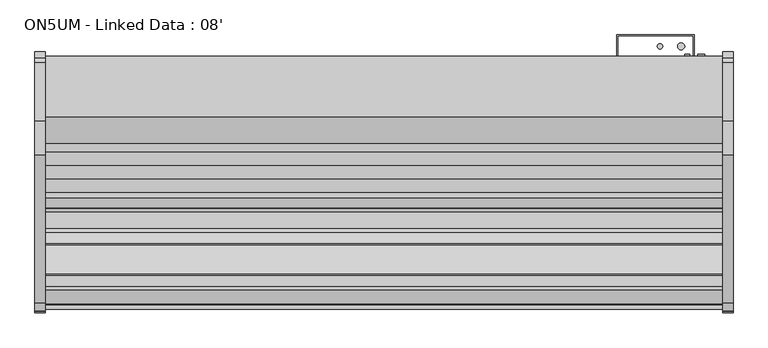
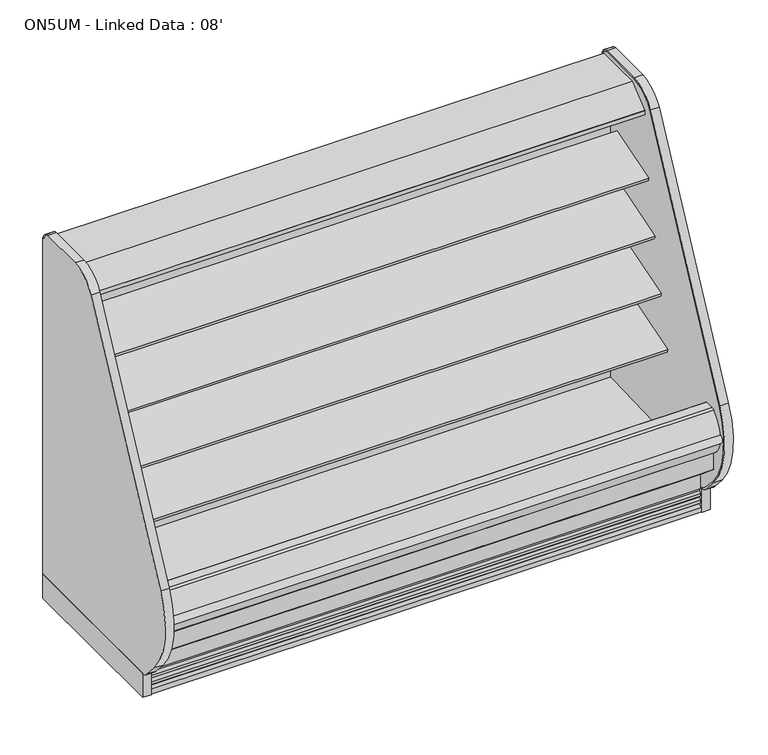
"""IFC4 building model written with IfcOpenShell, lengths in millimetres: proxy geometry, ON5UM - Linked Data : 08'."""

from ifc_helpers import new_model, si_unit, point, frame, frame_2d, origin, origin_with_axes, place, context, project, spatial, polyline, circle_curve, trimmed, segment, composite_curve, outline, extrude, source, transform, mapped, element, save
from ifc_brep_helpers import plane_surface, cylinder_surface, revolved_surface, advanced_brep


def on5um_linked_data_08_1feb24b4(model_context):
    return source(origin(), model_context, "Body", "SolidModel", [
        extrude(outline(composite_curve([segment(polyline([(-386.2893812, 1680.5112406), (-386.2893812, 114.3), (-1152.4160029, 114.3), (-1152.4160029, 109.4814209)]), True, "CONTINUOUS"), segment(trimmed(circle_curve(frame_2d((-1137.0030162, 174.3506772)), 66.6751871), [point((-1152.4160029, 109.4814209))], [point((-1188.0213353, 131.4238594))], False, "CARTESIAN"), True, "CONTINUOUS"), segment(polyline([(-1188.0213353, 131.4238594), (-1241.1522033, 191.7701108)]), True, "CONTINUOUS"), segment(trimmed(circle_curve(frame_2d((-969.519668, 423.7103658)), 357.1841488), [point((-1241.1522033, 191.7701108))], [point((-1289.7288766, 581.9714755))], False, "CARTESIAN"), True, "CONTINUOUS"), segment(trimmed(circle_curve(frame_2d((9141.921087, -3966.5313645)), 11380.1669166), [point((-1289.7288766, 581.9714755))], [point((-757.6298618, 1646.586313))], False, "CARTESIAN"), True, "CONTINUOUS"), segment(trimmed(circle_curve(frame_2d((-626.9237334, 1572.4749838)), 150.2550535), [point((-757.6298618, 1646.586313))], [point((-633.7326134, 1722.5756842))], False, "CARTESIAN"), True, "CONTINUOUS"), segment(polyline([(-633.7326134, 1722.5756842), (-424.7661122, 1722.5756842)]), True, "CONTINUOUS"), segment(trimmed(circle_curve(frame_2d((-424.7661122, 1689.095884)), 33.4798002), [point((-424.7661122, 1722.5756842))], [point((-408.2318186, 1718.2079804))], False, "CARTESIAN"), True, "CONTINUOUS"), segment(trimmed(circle_curve(frame_2d((-429.6417835, 1680.5112406)), 43.3524023), [point((-408.2318186, 1718.2079804))], [point((-386.2893812, 1680.5112406))], False, "CARTESIAN"), True, "CONTINUOUS")], self_intersect=False)), frame((-38.1, 0.0, 0.0), z_axis=(1.0, 0.0, 0.0), x_axis=(0.0, 1.0, 0.0)), (0.0, 0.0, 1.0), 38.1),
        advanced_brep(
        [(-38.1, -1238.2478592, 197.2583924), (-38.1, -1170.0712436, 125.1554313), (-38.1, -1152.4994478, 116.8957338), (-38.1, -1152.4994478, 109.4924604), (-38.1, -1188.0465066, 131.4150415), (-38.1, -1241.1522033, 191.7701108), (-38.1, -1289.7288766, 581.9714755), (-38.1, -757.6298618, 1646.586313), (-38.1, -633.7326134, 1722.5756842), (-38.1, -424.7661122, 1722.5756842), (-38.1, -408.2318186, 1718.2079804), (-38.1, -386.2893812, 1680.5112406), (-38.1, -386.2893812, 114.3), (-38.1, -392.6393812, 114.3), (-38.1, -392.6393812, 1680.5112406), (-38.1, -411.3678219, 1712.6863879), (-38.1, -424.7661122, 1716.2256842), (-38.1, -633.5871081, 1716.2256842), (-38.1, -752.1060282, 1643.454259), (-38.1, -1283.943801, 579.3516742), (0.0, -1238.2478594, 197.2583922), (0.0, -1283.943801, 579.3516742), (0.0, -752.1060287, 1643.4542593), (0.0, -633.5871081, 1716.2256842), (0.0, -424.7661122, 1716.2256842), (0.0, -411.3678219, 1712.6863879), (0.0, -392.6393812, 1680.5112406), (0.0, -392.6393812, 114.3), (0.0, -386.2893812, 114.3), (0.0, -386.2893812, 1680.5112406), (0.0, -408.2318186, 1718.2079804), (0.0, -424.7661122, 1722.5756842), (0.0, -633.7326134, 1722.5756842), (0.0, -757.6298618, 1646.586313), (0.0, -1289.7288766, 581.9714755), (0.0, -1241.1522033, 191.7701108), (0.0, -1188.0465066, 131.4150415), (0.0, -1152.4994478, 109.4924604), (0.0, -1152.4994478, 116.8957338), (0.0, -1170.0712436, 125.1554313)],
        [
            (0, 1, circle_curve(frame((-38.1, -594.5520699, 737.618397), z_axis=(1.0, 0.0, 0.0), x_axis=(0.0, 1.0, 0.0)), 840.4363174)),
            (1, 2, circle_curve(frame((-38.1, -1137.362761, 171.9188236), z_axis=(1.0, 0.0, 0.0), x_axis=(0.0, 1.0, 0.0)), 57.0671508)),
            (2, 3),
            (3, 4, circle_curve(frame((-38.1, -1137.0350365, 174.3484557), z_axis=(-1.0, 0.0, 0.0), x_axis=(0.0, 1.0, 0.0)), 66.674194)),
            (4, 5),
            (5, 6, circle_curve(frame((-38.1, -969.519668, 423.7103658), z_axis=(-1.0, 0.0, 0.0), x_axis=(0.0, 1.0, 0.0)), 357.1841488)),
            (6, 7, circle_curve(frame((-38.1, 9141.921087, -3966.5313645), z_axis=(-1.0, 0.0, 0.0), x_axis=(0.0, 1.0, 0.0)), 11380.1669166)),
            (7, 8, circle_curve(frame((-38.1, -626.9237334, 1572.4749838), z_axis=(-1.0, 0.0, 0.0), x_axis=(0.0, 1.0, 0.0)), 150.2550535)),
            (8, 9),
            (9, 10, circle_curve(frame((-38.1, -424.7661122, 1689.095884), z_axis=(-1.0, 0.0, 0.0), x_axis=(0.0, 1.0, 0.0)), 33.4798002)),
            (10, 11, circle_curve(frame((-38.1, -429.6417835, 1680.5112406), z_axis=(-1.0, 0.0, 0.0), x_axis=(0.0, 1.0, 0.0)), 43.3524023)),
            (11, 12),
            (12, 13),
            (13, 14),
            (14, 15, circle_curve(frame((-38.1, -429.6417835, 1680.5112406), z_axis=(1.0, 0.0, 0.0), x_axis=(0.0, 1.0, 0.0)), 37.0024023)),
            (15, 16, circle_curve(frame((-38.1, -424.7661122, 1689.095884), z_axis=(1.0, 0.0, 0.0), x_axis=(0.0, 1.0, 0.0)), 27.1298002)),
            (16, 17),
            (17, 18, circle_curve(frame((-38.1, -626.9237334, 1572.4749838), z_axis=(1.0, 0.0, 0.0), x_axis=(0.0, 1.0, 0.0)), 143.9050535)),
            (18, 19, circle_curve(frame((-38.1, 9141.921087, -3966.5313645), z_axis=(1.0, 0.0, 0.0), x_axis=(0.0, 1.0, 0.0)), 11373.8169172)),
            (19, 0, circle_curve(frame((-38.1, -969.0620447, 423.2304283), z_axis=(1.0, 0.0, 0.0), x_axis=(0.0, 1.0, 0.0)), 351.4603305)),
            (20, 21, circle_curve(frame((0.0, -969.0620447, 423.2304283), z_axis=(-1.0, 0.0, 0.0), x_axis=(0.0, 1.0, 0.0)), 351.4603305)),
            (21, 22, circle_curve(frame((0.0, 9141.921087, -3966.5313645), z_axis=(-1.0, 0.0, 0.0), x_axis=(0.0, 1.0, 0.0)), 11373.8169172)),
            (22, 23, circle_curve(frame((0.0, -626.9237334, 1572.4749838), z_axis=(-1.0, 0.0, 0.0), x_axis=(0.0, 1.0, 0.0)), 143.9050535)),
            (23, 24),
            (24, 25, circle_curve(frame((0.0, -424.7661122, 1689.095884), z_axis=(-1.0, 0.0, 0.0), x_axis=(0.0, 1.0, 0.0)), 27.1298002)),
            (25, 26, circle_curve(frame((0.0, -429.6417835, 1680.5112406), z_axis=(-1.0, 0.0, 0.0), x_axis=(0.0, 1.0, 0.0)), 37.0024023)),
            (26, 27),
            (27, 28),
            (28, 29),
            (29, 30, circle_curve(frame((0.0, -429.6417835, 1680.5112406), z_axis=(1.0, 0.0, 0.0), x_axis=(0.0, 1.0, 0.0)), 43.3524023)),
            (30, 31, circle_curve(frame((0.0, -424.7661122, 1689.095884), z_axis=(1.0, 0.0, 0.0), x_axis=(0.0, 1.0, 0.0)), 33.4798002)),
            (31, 32),
            (32, 33, circle_curve(frame((0.0, -626.9237334, 1572.4749838), z_axis=(1.0, 0.0, 0.0), x_axis=(0.0, 1.0, 0.0)), 150.2550535)),
            (33, 34, circle_curve(frame((0.0, 9141.921087, -3966.5313645), z_axis=(1.0, 0.0, 0.0), x_axis=(0.0, 1.0, 0.0)), 11380.1669166)),
            (34, 35, circle_curve(frame((0.0, -969.519668, 423.7103658), z_axis=(1.0, 0.0, 0.0), x_axis=(0.0, 1.0, 0.0)), 357.1841488)),
            (35, 36),
            (36, 37, circle_curve(frame((0.0, -1137.0350365, 174.3484557), z_axis=(1.0, 0.0, 0.0), x_axis=(0.0, 1.0, 0.0)), 66.674194)),
            (37, 38),
            (38, 39, circle_curve(frame((0.0, -1137.362761, 171.9188236), z_axis=(-1.0, 0.0, 0.0), x_axis=(0.0, 1.0, 0.0)), 57.0671508)),
            (39, 20, circle_curve(frame((0.0, -594.5520699, 737.618397), z_axis=(-1.0, 0.0, 0.0), x_axis=(0.0, 1.0, 0.0)), 840.4363174)),
            (20, 0),
            (19, 21),
            (18, 22),
            (17, 23),
            (16, 24),
            (25, 15),
            (14, 26),
            (13, 27),
            (12, 28),
            (11, 29),
            (10, 30),
            (31, 9),
            (8, 32),
            (7, 33),
            (6, 34),
            (5, 35),
            (4, 36),
            (3, 37),
            (2, 38),
            (1, 39),
        ],
        [
            plane_surface(frame((-38.1, -617.6017141, 423.2304283), z_axis=(-1.0, 0.0, 0.0), x_axis=(0.0, 0.0, 1.0))),
            plane_surface(frame((0.0, -617.6017141, 423.2304283), z_axis=(1.0, 0.0, 0.0), x_axis=(0.0, 0.0, -1.0))),
            revolved_surface(polyline([(-38.1, -617.6017142000001, 423.2304283), (0.0, -617.6017142000001, 423.2304283)]), (-38.1, -969.0620447, 423.2304283), (-1.0, 0.0, 0.0)),
            revolved_surface(polyline([(-38.1, 20515.7380042, -3966.5313645), (0.0, 20515.7380042, -3966.5313645)]), (-38.1, 9141.921087, -3966.5313645), (-1.0, 0.0, 0.0)),
            revolved_surface(polyline([(-38.1, -483.01867989999994, 1572.4749838), (0.0, -483.01867989999994, 1572.4749838)]), (-38.1, -626.9237334, 1572.4749838), (-1.0, 0.0, 0.0)),
            plane_surface(frame((0.0, -633.5871081, 1716.2256842), z_axis=(0.0, 0.0, -1.0), x_axis=(-1.0, 0.0, 0.0))),
            revolved_surface(polyline([(-38.1, -392.6393812, 1680.5112406), (0.0, -392.6393812, 1680.5112406)]), (-38.1, -429.6417835, 1680.5112406), (-1.0, 0.0, 0.0)),
            plane_surface(frame((0.0, -392.6393812, 1680.5112406), z_axis=(0.0, -1.0, 0.0), x_axis=(-1.0, 0.0, 0.0))),
            plane_surface(frame((0.0, -392.6393812, 114.3), z_axis=(0.0, 0.0, -1.0), x_axis=(-1.0, 0.0, 0.0))),
            plane_surface(frame((0.0, -386.2893812, 114.3), z_axis=(0.0, 1.0, 0.0), x_axis=(-1.0, 0.0, 0.0))),
            cylinder_surface(frame((-38.1, -429.6417835, 1680.5112406), z_axis=(1.0, 0.0, 0.0), x_axis=(0.0, 1.0, 0.0)), 43.3524023),
            plane_surface(frame((0.0, -424.7661122, 1722.5756842), z_axis=(0.0, 0.0, 1.0), x_axis=(-1.0, 0.0, 0.0))),
            cylinder_surface(frame((-38.1, -626.9237334, 1572.4749838), z_axis=(1.0, 0.0, 0.0), x_axis=(0.0, 1.0, 0.0)), 150.2550535),
            cylinder_surface(frame((-38.1, 9141.921087, -3966.5313645), z_axis=(1.0, 0.0, 0.0), x_axis=(0.0, 1.0, 0.0)), 11380.1669166),
            cylinder_surface(frame((-38.1, -969.519668, 423.7103658), z_axis=(1.0, 0.0, 0.0), x_axis=(0.0, 1.0, 0.0)), 357.1841488),
            plane_surface(frame((0.0, -1241.1522033, 191.7701108), z_axis=(0.0, -0.7507552443600822, -0.6605804743298377), x_axis=(-1.0, 0.0, 0.0))),
            cylinder_surface(frame((-38.1, -1137.0350365, 174.3484557), z_axis=(1.0, 0.0, 0.0), x_axis=(0.0, 1.0, 0.0)), 66.674194),
            plane_surface(frame((0.0, -1152.4994478, 109.4924604), z_axis=(0.0, 1.0, 0.0), x_axis=(-1.0, 0.0, 0.0))),
            revolved_surface(polyline([(-38.1, -1080.2956102, 171.9188236), (0.0, -1080.2956102, 171.9188236)]), (-38.1, -1137.362761, 171.9188236), (-1.0, 0.0, 0.0)),
            revolved_surface(polyline([(-38.1, 245.88424750000001, 737.618397), (0.0, 245.88424750000001, 737.618397)]), (-38.1, -594.5520699, 737.618397), (-1.0, 0.0, 0.0)),
            revolved_surface(polyline([(-38.1, -397.63631200000003, 1689.095884), (0.0, -397.63631200000003, 1689.095884)]), (-38.1, -424.7661122, 1689.095884), (-1.0, 0.0, 0.0)),
            cylinder_surface(frame((-38.1, -424.7661122, 1689.095884), z_axis=(1.0, 0.0, 0.0), x_axis=(0.0, 1.0, 0.0)), 33.4798002),
        ],
        [
            (0, [[1, 2, 3, 4, 5, 6, 7, 8, 9, 10, 11, 12, 13, 14, 15, 16, 17, 18, 19, 20]]),
            (1, [[21, 22, 23, 24, 25, 26, 27, 28, 29, 30, 31, 32, 33, 34, 35, 36, 37, 38, 39, 40]]),
            (2, [[-21, 41, -20, 42]]),
            (3, [[-22, -42, -19, 43]]),
            (4, [[-23, -43, -18, 44]]),
            (5, [[-24, -44, -17, 45]]),
            (6, [[-26, 46, -15, 47]]),
            (7, [[-27, -47, -14, 48]]),
            (8, [[-28, -48, -13, 49]]),
            (9, [[-29, -49, -12, 50]]),
            (10, [[-30, -50, -11, 51]]),
            (11, [[-32, 52, -9, 53]]),
            (12, [[-33, -53, -8, 54]]),
            (13, [[-34, -54, -7, 55]]),
            (14, [[-35, -55, -6, 56]]),
            (15, [[-36, -56, -5, 57]]),
            (16, [[-37, -57, -4, 58]]),
            (17, [[-38, -58, -3, 59]]),
            (18, [[-39, -59, -2, 60]]),
            (19, [[-40, -60, -1, -41]]),
            (20, [[-25, -45, -16, -46]]),
            (21, [[-31, -51, -10, -52]]),
        ],
    ),
        advanced_brep(
        [(2438.4, -392.6393812, 114.3), (2438.4, -392.6393812, 1680.5112406), (2438.4, -411.3678219, 1712.6863879), (2438.4, -424.7661122, 1716.2256842), (2438.4, -633.5871081, 1716.2256842), (2438.4, -752.1060282, 1643.454259), (2438.4, -1283.943801, 579.3516742), (2438.4, -1238.2478594, 197.2583922), (2438.4, -1170.0712436, 125.1554313), (2438.4, -1152.4994478, 116.8957338), (2438.4, -1152.4994478, 109.4924604), (2438.4, -1188.0465066, 131.4150415), (2438.4, -1241.1522033, 191.7701108), (2438.4, -1289.7288766, 581.9714755), (2438.4, -757.6298618, 1646.586313), (2438.4, -633.7326134, 1722.5756842), (2438.4, -424.7661122, 1722.5756842), (2438.4, -408.2318186, 1718.2079804), (2438.4, -386.2893812, 1680.5112406), (2438.4, -386.2893812, 114.3), (2476.5, -392.6393812, 114.3), (2476.5, -386.2893812, 114.3), (2476.5, -386.2893812, 1680.5112406), (2476.5, -408.2318186, 1718.2079804), (2476.5, -424.7661122, 1722.5756842), (2476.5, -633.7326134, 1722.5756842), (2476.5, -757.6298618, 1646.586313), (2476.5, -1289.7288766, 581.9714755), (2476.5, -1241.1522033, 191.7701108), (2476.5, -1188.0465066, 131.4150415), (2476.5, -1152.4994478, 109.4924604), (2476.5, -1152.4994478, 116.8957338), (2476.5, -1170.0712436, 125.1554313), (2476.5, -1238.2478592, 197.2583924), (2476.5, -1283.943801, 579.3516742), (2476.5, -752.1060287, 1643.4542593), (2476.5, -633.5871081, 1716.2256842), (2476.5, -424.7661122, 1716.2256842), (2476.5, -411.3678219, 1712.6863879), (2476.5, -392.6393812, 1680.5112406)],
        [
            (0, 1),
            (1, 2, circle_curve(frame((2438.4, -429.6417835, 1680.5112406), z_axis=(1.0, 0.0, 0.0), x_axis=(0.0, 1.0, 0.0)), 37.0024023)),
            (2, 3, circle_curve(frame((2438.4, -424.7661122, 1689.095884), z_axis=(1.0, 0.0, 0.0), x_axis=(0.0, 1.0, 0.0)), 27.1298002)),
            (3, 4),
            (4, 5, circle_curve(frame((2438.4, -626.9237334, 1572.4749838), z_axis=(1.0, 0.0, 0.0), x_axis=(0.0, 1.0, 0.0)), 143.9050535)),
            (5, 6, circle_curve(frame((2438.4, 9141.921087, -3966.5313645), z_axis=(1.0, 0.0, 0.0), x_axis=(0.0, 1.0, 0.0)), 11373.8169172)),
            (6, 7, circle_curve(frame((2438.4, -969.0620447, 423.2304283), z_axis=(1.0, 0.0, 0.0), x_axis=(0.0, 1.0, 0.0)), 351.4603305)),
            (7, 8, circle_curve(frame((2438.4, -594.5520699, 737.618397), z_axis=(1.0, 0.0, 0.0), x_axis=(0.0, 1.0, 0.0)), 840.4363174)),
            (8, 9, circle_curve(frame((2438.4, -1137.362761, 171.9188236), z_axis=(1.0, 0.0, 0.0), x_axis=(0.0, 1.0, 0.0)), 57.0671508)),
            (9, 10),
            (10, 11, circle_curve(frame((2438.4, -1137.0350365, 174.3484557), z_axis=(-1.0, 0.0, 0.0), x_axis=(0.0, 1.0, 0.0)), 66.674194)),
            (11, 12),
            (12, 13, circle_curve(frame((2438.4, -969.519668, 423.7103658), z_axis=(-1.0, 0.0, 0.0), x_axis=(0.0, 1.0, 0.0)), 357.1841488)),
            (13, 14, circle_curve(frame((2438.4, 9141.921087, -3966.5313645), z_axis=(-1.0, 0.0, 0.0), x_axis=(0.0, 1.0, 0.0)), 11380.1669166)),
            (14, 15, circle_curve(frame((2438.4, -626.9237334, 1572.4749838), z_axis=(-1.0, 0.0, 0.0), x_axis=(0.0, 1.0, 0.0)), 150.2550535)),
            (15, 16),
            (16, 17, circle_curve(frame((2438.4, -424.7661122, 1689.095884), z_axis=(-1.0, 0.0, 0.0), x_axis=(0.0, 1.0, 0.0)), 33.4798002)),
            (17, 18, circle_curve(frame((2438.4, -429.6417835, 1680.5112406), z_axis=(-1.0, 0.0, 0.0), x_axis=(0.0, 1.0, 0.0)), 43.3524023)),
            (18, 19),
            (19, 0),
            (20, 21),
            (21, 22),
            (22, 23, circle_curve(frame((2476.5, -429.6417835, 1680.5112406), z_axis=(1.0, 0.0, 0.0), x_axis=(0.0, 1.0, 0.0)), 43.3524023)),
            (23, 24, circle_curve(frame((2476.5, -424.7661122, 1689.095884), z_axis=(1.0, 0.0, 0.0), x_axis=(0.0, 1.0, 0.0)), 33.4798002)),
            (24, 25),
            (25, 26, circle_curve(frame((2476.5, -626.9237334, 1572.4749838), z_axis=(1.0, 0.0, 0.0), x_axis=(0.0, 1.0, 0.0)), 150.2550535)),
            (26, 27, circle_curve(frame((2476.5, 9141.921087, -3966.5313645), z_axis=(1.0, 0.0, 0.0), x_axis=(0.0, 1.0, 0.0)), 11380.1669166)),
            (27, 28, circle_curve(frame((2476.5, -969.519668, 423.7103658), z_axis=(1.0, 0.0, 0.0), x_axis=(0.0, 1.0, 0.0)), 357.1841488)),
            (28, 29),
            (29, 30, circle_curve(frame((2476.5, -1137.0350365, 174.3484557), z_axis=(1.0, 0.0, 0.0), x_axis=(0.0, 1.0, 0.0)), 66.674194)),
            (30, 31),
            (31, 32, circle_curve(frame((2476.5, -1137.362761, 171.9188236), z_axis=(-1.0, 0.0, 0.0), x_axis=(0.0, 1.0, 0.0)), 57.0671508)),
            (32, 33, circle_curve(frame((2476.5, -594.5520699, 737.618397), z_axis=(-1.0, 0.0, 0.0), x_axis=(0.0, 1.0, 0.0)), 840.4363174)),
            (33, 34, circle_curve(frame((2476.5, -969.0620447, 423.2304283), z_axis=(-1.0, 0.0, 0.0), x_axis=(0.0, 1.0, 0.0)), 351.4603305)),
            (34, 35, circle_curve(frame((2476.5, 9141.921087, -3966.5313645), z_axis=(-1.0, 0.0, 0.0), x_axis=(0.0, 1.0, 0.0)), 11373.8169172)),
            (35, 36, circle_curve(frame((2476.5, -626.9237334, 1572.4749838), z_axis=(-1.0, 0.0, 0.0), x_axis=(0.0, 1.0, 0.0)), 143.9050535)),
            (36, 37),
            (37, 38, circle_curve(frame((2476.5, -424.7661122, 1689.095884), z_axis=(-1.0, 0.0, 0.0), x_axis=(0.0, 1.0, 0.0)), 27.1298002)),
            (38, 39, circle_curve(frame((2476.5, -429.6417835, 1680.5112406), z_axis=(-1.0, 0.0, 0.0), x_axis=(0.0, 1.0, 0.0)), 37.0024023)),
            (39, 20),
            (20, 0),
            (19, 21),
            (18, 22),
            (24, 16),
            (15, 25),
            (14, 26),
            (13, 27),
            (12, 28),
            (11, 29),
            (10, 30),
            (9, 31),
            (8, 32),
            (7, 33),
            (6, 34),
            (5, 35),
            (4, 36),
            (3, 37),
            (39, 1),
            (17, 23),
            (2, 38),
        ],
        [
            plane_surface(frame((2438.4, -417.3839273, 114.3), z_axis=(-1.0, 0.0, 0.0), x_axis=(0.0, -1.0, 0.0))),
            plane_surface(frame((2476.5, -417.3839273, 114.3), z_axis=(1.0, 0.0, 0.0), x_axis=(0.0, 1.0, 0.0))),
            plane_surface(frame((2476.5, -392.6393812, 114.3), z_axis=(0.0, 0.0, -1.0), x_axis=(-1.0, 0.0, 0.0))),
            plane_surface(frame((2476.5, -386.2893812, 114.3), z_axis=(0.0, 1.0, 0.0), x_axis=(-1.0, 0.0, 0.0))),
            plane_surface(frame((2476.5, -424.7661122, 1722.5756842), z_axis=(0.0, 0.0, 1.0), x_axis=(-1.0, 0.0, 0.0))),
            cylinder_surface(frame((2438.4, -626.9237334, 1572.4749838), z_axis=(1.0, 0.0, 0.0), x_axis=(0.0, 1.0, 0.0)), 150.2550535),
            cylinder_surface(frame((2438.4, 9141.921087, -3966.5313645), z_axis=(1.0, 0.0, 0.0), x_axis=(0.0, 1.0, 0.0)), 11380.1669166),
            cylinder_surface(frame((2438.4, -969.519668, 423.7103658), z_axis=(1.0, 0.0, 0.0), x_axis=(0.0, 1.0, 0.0)), 357.1841488),
            plane_surface(frame((2476.5, -1241.1522033, 191.7701108), z_axis=(0.0, -0.750755244360021, -0.6605804743299073), x_axis=(-1.0, 0.0, 0.0))),
            cylinder_surface(frame((2438.4, -1137.0350365, 174.3484557), z_axis=(1.0, 0.0, 0.0), x_axis=(0.0, 1.0, 0.0)), 66.674194),
            plane_surface(frame((2476.5, -1152.4994478, 109.4924604), z_axis=(0.0, 1.0, 0.0), x_axis=(-1.0, 0.0, 0.0))),
            revolved_surface(polyline([(2438.4, -1080.2956102, 171.9188236), (2476.5, -1080.2956102, 171.9188236)]), (2438.4, -1137.362761, 171.9188236), (-1.0, 0.0, 0.0)),
            revolved_surface(polyline([(2438.4, 245.88424750000001, 737.618397), (2476.5, 245.88424750000001, 737.618397)]), (2438.4, -594.5520699, 737.618397), (-1.0, 0.0, 0.0)),
            revolved_surface(polyline([(2438.4, -617.6017142000001, 423.2304283), (2476.5, -617.6017142000001, 423.2304283)]), (2438.4, -969.0620447, 423.2304283), (-1.0, 0.0, 0.0)),
            revolved_surface(polyline([(2438.4, 20515.7380042, -3966.5313645), (2476.5, 20515.7380042, -3966.5313645)]), (2438.4, 9141.921087, -3966.5313645), (-1.0, 0.0, 0.0)),
            revolved_surface(polyline([(2438.4, -483.01867989999994, 1572.4749838), (2476.5, -483.01867989999994, 1572.4749838)]), (2438.4, -626.9237334, 1572.4749838), (-1.0, 0.0, 0.0)),
            plane_surface(frame((2476.5, -633.5871081, 1716.2256842), z_axis=(0.0, 0.0, -1.0), x_axis=(-1.0, 0.0, 0.0))),
            plane_surface(frame((2476.5, -392.6393812, 1680.5112406), z_axis=(0.0, -1.0, 0.0), x_axis=(-1.0, 0.0, 0.0))),
            cylinder_surface(frame((2438.4, -429.6417835, 1680.5112406), z_axis=(1.0, 0.0, 0.0), x_axis=(0.0, 1.0, 0.0)), 43.3524023),
            cylinder_surface(frame((2438.4, -424.7661122, 1689.095884), z_axis=(1.0, 0.0, 0.0), x_axis=(0.0, 1.0, 0.0)), 33.4798002),
            revolved_surface(polyline([(2438.4, -397.63631200000003, 1689.095884), (2476.5, -397.63631200000003, 1689.095884)]), (2438.4, -424.7661122, 1689.095884), (-1.0, 0.0, 0.0)),
            revolved_surface(polyline([(2438.4, -392.6393812, 1680.5112406), (2476.5, -392.6393812, 1680.5112406)]), (2438.4, -429.6417835, 1680.5112406), (-1.0, 0.0, 0.0)),
        ],
        [
            (0, [[1, 2, 3, 4, 5, 6, 7, 8, 9, 10, 11, 12, 13, 14, 15, 16, 17, 18, 19, 20]]),
            (1, [[21, 22, 23, 24, 25, 26, 27, 28, 29, 30, 31, 32, 33, 34, 35, 36, 37, 38, 39, 40]]),
            (2, [[-21, 41, -20, 42]]),
            (3, [[-22, -42, -19, 43]]),
            (4, [[-25, 44, -16, 45]]),
            (5, [[-26, -45, -15, 46]]),
            (6, [[-27, -46, -14, 47]]),
            (7, [[-28, -47, -13, 48]]),
            (8, [[-29, -48, -12, 49]]),
            (9, [[-30, -49, -11, 50]]),
            (10, [[-31, -50, -10, 51]]),
            (11, [[-32, -51, -9, 52]]),
            (12, [[-33, -52, -8, 53]]),
            (13, [[-34, -53, -7, 54]]),
            (14, [[-35, -54, -6, 55]]),
            (15, [[-36, -55, -5, 56]]),
            (16, [[-37, -56, -4, 57]]),
            (17, [[-40, 58, -1, -41]]),
            (18, [[-23, -43, -18, 59]]),
            (19, [[-24, -59, -17, -44]]),
            (20, [[-38, -57, -3, 60]]),
            (21, [[-39, -60, -2, -58]]),
        ],
    ),
        extrude(outline(composite_curve([segment(polyline([(-1152.4160029, 114.3), (-1152.4160029, 109.4814209)]), True, "CONTINUOUS"), segment(trimmed(circle_curve(frame_2d((-1137.0030162, 174.3506772)), 66.6751871), [point((-1152.4160029, 109.4814209))], [point((-1188.0213353, 131.4238594))], False, "CARTESIAN"), True, "CONTINUOUS"), segment(polyline([(-1188.0213353, 131.4238594), (-1241.1522033, 191.7701108)]), True, "CONTINUOUS"), segment(trimmed(circle_curve(frame_2d((-969.519668, 423.7103658)), 357.1841488), [point((-1241.1522033, 191.7701108))], [point((-1289.7288766, 581.9714755))], False, "CARTESIAN"), True, "CONTINUOUS"), segment(trimmed(circle_curve(frame_2d((9141.921087, -3966.5313645)), 11380.1669166), [point((-1289.7288766, 581.9714755))], [point((-757.6298618, 1646.586313))], False, "CARTESIAN"), True, "CONTINUOUS"), segment(trimmed(circle_curve(frame_2d((-626.9237334, 1572.4749838)), 150.2550535), [point((-757.6298618, 1646.586313))], [point((-633.7326134, 1722.5756842))], False, "CARTESIAN"), True, "CONTINUOUS"), segment(polyline([(-633.7326134, 1722.5756842), (-424.7661122, 1722.5756842)]), True, "CONTINUOUS"), segment(trimmed(circle_curve(frame_2d((-424.7661122, 1689.095884)), 33.4798002), [point((-424.7661122, 1722.5756842))], [point((-408.2318186, 1718.2079804))], False, "CARTESIAN"), True, "CONTINUOUS"), segment(trimmed(circle_curve(frame_2d((-429.6417835, 1680.5112406)), 43.3524023), [point((-408.2318186, 1718.2079804))], [point((-386.2893812, 1680.5112406))], False, "CARTESIAN"), True, "CONTINUOUS"), segment(polyline([(-386.2893812, 1680.5112406), (-386.2893812, 114.3), (-1152.4160029, 114.3)]), True, "CONTINUOUS")], self_intersect=False)), frame((2438.4, 0.0, 0.0), z_axis=(1.0, 0.0, 0.0), x_axis=(0.0, 1.0, 0.0)), (0.0, 0.0, 1.0), 38.1),
        extrude(outline(polyline([(2476.5, -385.6339273), (2476.5, -1152.4160029), (2438.4, -1152.4160029), (2438.4, -385.6339273), (2476.5, -385.6339273)])), origin_with_axes(), (0.0, 0.0, 1.0), 114.3),
        extrude(outline(composite_curve([segment(polyline([(-514.5457224, 1615.7605838), (-504.8382084, 1618.7588787), (-504.5715038, 1617.8953752), (-503.5043326, 1617.8953752), (-503.5043326, 1524.1310435), (-528.7995468, 1520.5782473)]), True, "CONTINUOUS"), segment(trimmed(circle_curve(frame_2d((-528.9394297, 1522.1519225)), 1.57988), [point((-528.7995468, 1520.5782473))], [point((-530.5039344, 1521.9320457))], False, "CARTESIAN"), True, "CONTINUOUS"), segment(polyline([(-530.5039344, 1521.9320457), (-531.3887441, 1528.2277938), (-530.6039765, 1528.3380857), (-529.6095819, 1521.2626005), (-506.0288235, 1524.57666), (-520.1248622, 1624.875187), (-542.8854436, 1621.8528314)]), True, "CONTINUOUS"), segment(trimmed(circle_curve(frame_2d((-542.7817953, 1621.072283)), 0.7874), [point((-542.8854436, 1621.8528314))], [point((-543.5623437, 1620.9686347))], True, "CARTESIAN"), True, "CONTINUOUS"), segment(polyline([(-543.5623437, 1620.9686347), (-542.5392347, 1613.2638646), (-543.3197834, 1613.1602184), (-544.3428921, 1620.8649865)]), True, "CONTINUOUS"), segment(trimmed(circle_curve(frame_2d((-542.7817953, 1621.072283)), 1.5748), [point((-544.3428921, 1620.8649865))], [point((-542.9890919, 1622.6333798))], False, "CARTESIAN"), True, "CONTINUOUS"), segment(polyline([(-542.9890919, 1622.6333798), (-519.0246807, 1625.8155909)]), True, "CONTINUOUS"), segment(trimmed(circle_curve(frame_2d((-518.8173842, 1624.2544941)), 1.5748), [point((-519.0246807, 1625.8155909))], [point((-517.3127195, 1624.7192298))], False, "CARTESIAN"), True, "CONTINUOUS"), segment(polyline([(-517.3127195, 1624.7192298), (-514.5457224, 1615.7605838)]), True, "CONTINUOUS")], self_intersect=False)), frame((0.0, 0.0, 0.0), z_axis=(1.0, 0.0, 0.0), x_axis=(0.0, 1.0, 0.0)), (0.0, 0.0, 1.0), 2438.4),
        extrude(outline(polyline([(-401.5362454, 1697.0375), (-401.5362454, 1650.6095648), (-452.3362454, 1650.6095648), (-452.3362454, 1617.8953752), (-504.5715038, 1617.8953752), (-506.6507529, 1624.6273143), (-511.4451991, 1623.1464857), (-535.5152392, 1651.8320425), (-642.283557, 1651.8320425), (-643.121757, 1650.9938425), (-643.121757, 1639.8686425), (-643.6798466, 1638.6898324), (-688.3176895, 1602.1138324), (-689.2835999, 1601.7686425), (-700.780223, 1601.7686425), (-700.780223, 1599.8368669), (-715.8942413, 1599.8368669), (-715.8942413, 1618.1058169), (-715.3010798, 1619.3494059), (-619.3642733, 1697.0375), (-401.5362454, 1697.0375)])), frame((0.0, 0.0, 0.0), z_axis=(1.0, 0.0, 0.0), x_axis=(0.0, 1.0, 0.0)), (0.0, 0.0, 1.0), 2438.4),
        extrude(outline(composite_curve([segment(polyline([(-506.0288235, 1524.57666), (-529.6095819, 1521.2626005), (-530.6039765, 1528.3380857), (-542.5344107, 1613.2275359), (-543.5623437, 1620.9686347)]), True, "CONTINUOUS"), segment(trimmed(circle_curve(frame_2d((-542.7817953, 1621.072283)), 0.7874), [point((-543.5623437, 1620.9686347))], [point((-542.8854436, 1621.8528314))], False, "CARTESIAN"), True, "CONTINUOUS"), segment(polyline([(-542.8854436, 1621.8528314), (-520.1248622, 1624.875187), (-506.0288235, 1524.57666)]), True, "CONTINUOUS")], self_intersect=False)), frame((0.0, 0.0, 0.0), z_axis=(1.0, 0.0, 0.0), x_axis=(0.0, 1.0, 0.0)), (0.0, 0.0, 1.0), 2438.4),
        extrude(outline(composite_curve([segment(trimmed(circle_curve(frame_2d((-586.8588534, 1611.5018376)), 14.2875), [point((-601.1463534, 1611.5018376))], [point((-572.5713534, 1611.5018376))], False, "CARTESIAN"), True, "CONTINUOUS"), segment(trimmed(circle_curve(frame_2d((-586.8588534, 1611.5018376)), 14.2875), [point((-572.5713534, 1611.5018376))], [point((-601.1463534, 1611.5018376))], False, "CARTESIAN"), True, "CONTINUOUS")], self_intersect=False)), frame((0.0, 0.0, 0.0), z_axis=(1.0, 0.0, 0.0), x_axis=(0.0, 1.0, 0.0)), (0.0, 0.0, 1.0), 2438.4),
        extrude(outline(composite_curve([segment(trimmed(circle_curve(frame_2d((-624.2476534, 1611.5018376)), 14.2875), [point((-638.5351534, 1611.5018376))], [point((-609.9601534, 1611.5018376))], False, "CARTESIAN"), True, "CONTINUOUS"), segment(trimmed(circle_curve(frame_2d((-624.2476534, 1611.5018376)), 14.2875), [point((-609.9601534, 1611.5018376))], [point((-638.5351534, 1611.5018376))], False, "CARTESIAN"), True, "CONTINUOUS")], self_intersect=False)), frame((0.0, 0.0, 0.0), z_axis=(1.0, 0.0, 0.0), x_axis=(0.0, 1.0, 0.0)), (0.0, 0.0, 1.0), 2438.4),
        extrude(outline(composite_curve([segment(polyline([(-503.4770145, 863.3098138), (-520.8520366, 857.6729901)]), True, "CONTINUOUS"), segment(trimmed(circle_curve(frame_2d((-528.6901714, 881.8333635)), 25.4), [point((-520.8520366, 857.6729901))], [point((-538.1963728, 858.2793376))], False, "CARTESIAN"), True, "CONTINUOUS"), segment(polyline([(-538.1963728, 858.2793376), (-559.4917706, 866.8739762)]), True, "CONTINUOUS"), segment(trimmed(circle_curve(frame_2d((-583.257274, 807.9889114)), 63.5), [point((-559.4917706, 866.8739762))], [point((-594.1259367, 870.5518571))], True, "CARTESIAN"), True, "CONTINUOUS"), segment(polyline([(-594.1259367, 870.5518571), (-731.8940366, 853.2118233), (-734.3236807, 856.0667635), (-839.3802906, 823.9477346), (-843.5389858, 837.5502134), (-503.4770145, 941.5175916), (-503.4770145, 863.3098138)]), True, "CONTINUOUS")], self_intersect=False)), frame((0.0, 0.0, 0.0), z_axis=(1.0, 0.0, 0.0), x_axis=(0.0, 1.0, 0.0)), (0.0, 0.0, 1.0), 2438.4),
        extrude(outline(polyline([(2476.5, -385.6339273), (2476.5, -1152.4160029), (2438.4, -1152.4160029), (2438.4, -385.6339273), (2476.5, -385.6339273)])), origin_with_axes(), (0.0, 0.0, 1.0), 114.3),
        extrude(outline(composite_curve([segment(polyline([(-503.4770145, 1088.9683713), (-520.8520366, 1083.3315476)]), True, "CONTINUOUS"), segment(trimmed(circle_curve(frame_2d((-528.6901714, 1107.491921)), 25.4), [point((-520.8520366, 1083.3315476))], [point((-538.1963728, 1083.9378951))], False, "CARTESIAN"), True, "CONTINUOUS"), segment(polyline([(-538.1963728, 1083.9378951), (-559.4917706, 1092.5325337)]), True, "CONTINUOUS"), segment(trimmed(circle_curve(frame_2d((-583.257274, 1033.6474689)), 63.5), [point((-559.4917706, 1092.5325337))], [point((-594.1259367, 1096.2104146))], True, "CARTESIAN"), True, "CONTINUOUS"), segment(polyline([(-594.1259367, 1096.2104146), (-731.8940366, 1078.8703808), (-734.3236807, 1081.725321), (-790.800009, 1064.4587746), (-794.9587042, 1078.0612535), (-503.4770145, 1167.1761491), (-503.4770145, 1088.9683713)]), True, "CONTINUOUS")], self_intersect=False)), frame((0.0, 0.0, 0.0), z_axis=(1.0, 0.0, 0.0), x_axis=(0.0, 1.0, 0.0)), (0.0, 0.0, 1.0), 2438.4),
        extrude(outline(composite_curve([segment(trimmed(circle_curve(frame_2d((-1295.2968597, 431.6758132)), 17.3404466), [point((-1294.9549897, 414.338737))], [point((-1294.7322045, 449.007064))], False, "CARTESIAN"), True, "CONTINUOUS"), segment(trimmed(circle_curve(frame_2d((-1122.863718, 403.4621932)), 177.8007646), [point((-1294.7322045, 449.007064))], [point((-1296.5810234, 441.3489948))], True, "CARTESIAN"), True, "CONTINUOUS"), segment(trimmed(circle_curve(frame_2d((-1169.7227431, 435.4318662)), 126.9962034), [point((-1296.5810234, 441.3489948))], [point((-1294.9549897, 414.338737))], True, "CARTESIAN"), True, "CONTINUOUS")], self_intersect=False)), frame((0.0, 0.0, 0.0), z_axis=(1.0, 0.0, 0.0), x_axis=(0.0, 1.0, 0.0)), (0.0, 0.0, 1.0), 2438.4),
        extrude(outline(composite_curve([segment(trimmed(circle_curve(frame_2d((2278.6362287, -1007.9339273)), 12.7), [point((2265.9362287, -1007.9339273))], [point((2291.3362287, -1007.9339273))], False, "CARTESIAN"), True, "CONTINUOUS"), segment(trimmed(circle_curve(frame_2d((2278.6362287, -1007.9339273)), 12.7), [point((2291.3362287, -1007.9339273))], [point((2265.9362287, -1007.9339273))], False, "CARTESIAN"), True, "CONTINUOUS")], self_intersect=False)), frame((0.0, 0.0, 68.5310382), z_axis=(0.0, 0.0, 1.0), x_axis=(1.0, 0.0, 0.0)), (0.0, 0.0, 1.0), 52.7807458),
        extrude(outline(composite_curve([segment(trimmed(circle_curve(frame_2d((2228.43831, -1007.9339273)), 9.525), [point((2218.91331, -1007.9339273))], [point((2237.96331, -1007.9339273))], False, "CARTESIAN"), True, "CONTINUOUS"), segment(trimmed(circle_curve(frame_2d((2228.43831, -1007.9339273)), 9.525), [point((2237.96331, -1007.9339273))], [point((2218.91331, -1007.9339273))], False, "CARTESIAN"), True, "CONTINUOUS")], self_intersect=False)), frame((0.0, 0.0, 68.5310382), z_axis=(0.0, 0.0, 1.0), x_axis=(1.0, 0.0, 0.0)), (0.0, 0.0, 1.0), 52.7807458),
        extrude(outline(polyline([(0.0, -386.2893812), (0.0, -1152.4160029), (-38.1, -1152.4160029), (-38.1, -386.2893812), (0.0, -386.2893812)])), origin_with_axes(), (0.0, 0.0, 1.0), 114.3),
        extrude(outline(polyline([(2333.625, -401.5089273), (2333.625, -328.4839273), (2060.575, -328.4839273), (2060.575, -401.5089273), (2057.4, -401.5089273), (2057.4, -325.3089273), (2336.8, -325.3089273), (2336.8, -401.5089273), (2333.625, -401.5089273)])), frame((0.0, 0.0, 522.6122796), z_axis=(0.0, 0.0, 1.0), x_axis=(1.0, 0.0, 0.0)), (0.0, 0.0, 1.0), 1034.456007),
        advanced_brep(
        [(0.0, -401.5089273, 1650.6095648), (0.0, -401.5089273, 130.175), (0.0, -1092.9329421, 130.175), (0.0, -1242.6779256, 255.8259604), (0.0, -1242.6779256, 390.4771975), (0.0, -1191.6695874, 390.4771975), (0.0, -1191.6695874, 280.6965658), (0.0, -1081.6882807, 188.4112919), (0.0, -1075.5167374, 188.6268069), (0.0, -1036.8125365, 160.6272219), (0.0, -1035.5745571, 160.670453), (0.0, -1022.2030531, 151.6562137), (0.0, -961.9148015, 153.7615258), (0.0, -949.2046713, 163.6865559), (0.0, -947.966692, 163.7297871), (0.0, -911.2586215, 194.4039054), (0.0, -452.3089273, 210.4307819), (0.0, -452.3089273, 1650.6095648), (2438.4, -401.5089273, 1650.6095648), (2438.4, -452.3089273, 1650.6095648), (2438.4, -452.3089273, 210.4307819), (2438.4, -911.2586215, 194.4039054), (2438.4, -947.966692, 163.7297871), (2438.4, -949.2046713, 163.6865559), (2438.4, -961.9148015, 153.7615258), (2438.4, -1022.2030531, 151.6562137), (2438.4, -1035.5745571, 160.670453), (2438.4, -1036.8125365, 160.6272219), (2438.4, -1075.5167374, 188.6268069), (2438.4, -1081.6882807, 188.4112919), (2438.4, -1191.6695874, 280.6965658), (2438.4, -1191.6695874, 390.4771975), (2438.4, -1242.6779256, 390.4771975), (2438.4, -1242.6779256, 255.8259604), (2438.4, -1092.9329421, 130.175), (2438.4, -401.5089273, 130.175), (2336.8, -401.5089273, 368.3), (2336.8, -401.5089273, 266.7), (2336.8, -446.7209273, 266.7), (2336.8, -446.7209273, 368.3)],
        [
            (0, 1),
            (1, 2),
            (2, 3),
            (3, 4),
            (4, 5),
            (5, 6),
            (6, 7),
            (7, 8),
            (8, 9),
            (9, 10),
            (10, 11),
            (11, 12),
            (12, 13),
            (13, 14),
            (14, 15),
            (15, 16),
            (16, 17),
            (17, 0),
            (18, 19),
            (19, 20),
            (20, 21),
            (21, 22),
            (22, 23),
            (23, 24),
            (24, 25),
            (25, 26),
            (26, 27),
            (27, 28),
            (28, 29),
            (29, 30),
            (30, 31),
            (31, 32),
            (32, 33),
            (33, 34),
            (34, 35),
            (35, 18),
            (17, 19),
            (18, 0),
            (16, 20),
            (1, 35),
            (34, 2),
            (36, 37, circle_curve(frame((2336.8, -401.5089273, 317.5), z_axis=(0.0, -1.0, 0.0), x_axis=(0.0, 0.0, 1.0)), 50.8)),
            (37, 36, circle_curve(frame((2336.8, -401.5089273, 317.5), z_axis=(0.0, -1.0, 0.0), x_axis=(0.0, 0.0, 1.0)), 50.8)),
            (38, 39, circle_curve(frame((2336.8, -446.7209273, 317.5), z_axis=(0.0, 1.0, 0.0), x_axis=(0.0, 0.0, 1.0)), 50.8)),
            (39, 38, circle_curve(frame((2336.8, -446.7209273, 317.5), z_axis=(0.0, 1.0, 0.0), x_axis=(0.0, 0.0, 1.0)), 50.8)),
            (38, 37),
            (36, 39),
            (15, 21),
            (14, 22),
            (13, 23),
            (12, 24),
            (11, 25),
            (10, 26),
            (9, 27),
            (8, 28),
            (7, 29),
            (6, 30),
            (5, 31),
            (4, 32),
            (3, 33),
        ],
        [
            plane_surface(frame((0.0, -452.3089273, 1650.6095648), z_axis=(-1.0, 0.0, 0.0), x_axis=(0.0, 1.0, 0.0))),
            plane_surface(frame((2438.4, -452.3089273, 1650.6095648), z_axis=(1.0, 0.0, 0.0), x_axis=(0.0, -1.0, 0.0))),
            plane_surface(frame((2438.4, -401.5089273, 1650.6095648), z_axis=(0.0, 0.0, 1.0), x_axis=(-1.0, 0.0, 0.0))),
            plane_surface(frame((2438.4, -452.3089273, 1650.6095648), z_axis=(0.0, -1.0, 0.0), x_axis=(-1.0, 0.0, 0.0))),
            plane_surface(frame((2438.4, -1092.9329421, 130.175), z_axis=(0.0, 0.0, -1.0), x_axis=(-1.0, 0.0, 0.0))),
            plane_surface(frame((2438.4, -401.5089273, 130.175), z_axis=(0.0, 1.0, 0.0), x_axis=(-1.0, 0.0, 0.0))),
            plane_surface(frame((2336.8, -446.7209273, 368.3), z_axis=(0.0, 1.0, 0.0), x_axis=(-1.0, 0.0, 0.0))),
            revolved_surface(polyline([(2336.8, -401.5089273, 368.3), (2336.8, -446.7209273, 368.3)]), (2336.8, -446.7209273, 317.5), (0.0, 1.0, 0.0)),
            plane_surface(frame((2438.4, -452.3089273, 210.4307819), z_axis=(0.0, -0.034899496702464096, 0.9993908270190971), x_axis=(-1.0, 0.0, 0.0))),
            plane_surface(frame((2438.4, -911.2586215, 194.4039054), z_axis=(0.0, -0.6412208566386186, 0.7673563794037528), x_axis=(-1.0, 0.0, 0.0))),
            plane_surface(frame((2438.4, -947.966692, 163.7297871), z_axis=(0.0, -0.03489949670032392, 0.9993908270191718), x_axis=(-1.0, 0.0, 0.0))),
            plane_surface(frame((2438.4, -949.2046713, 163.6865559), z_axis=(0.0, -0.6154607629252682, 0.7881675261639793), x_axis=(-1.0, 0.0, 0.0))),
            plane_surface(frame((2438.4, -961.9148015, 153.7615258), z_axis=(0.0, -0.03489949670245096, 0.9993908270190975), x_axis=(-1.0, 0.0, 0.0))),
            plane_surface(frame((2438.4, -1022.2030531, 151.6562137), z_axis=(0.0, 0.5589817440968015, 0.8291799622316606), x_axis=(-1.0, 0.0, 0.0))),
            plane_surface(frame((2438.4, -1035.5745571, 160.670453), z_axis=(0.0, -0.03489949670146529, 0.999390827019132), x_axis=(-1.0, 0.0, 0.0))),
            plane_surface(frame((2438.4, -1036.8125365, 160.6272219), z_axis=(0.0, 0.5861307997256017, 0.810216443682197), x_axis=(-1.0, 0.0, 0.0))),
            plane_surface(frame((2438.4, -1075.5167374, 188.6268069), z_axis=(0.0, -0.034899496703538944, 0.9993908270190596), x_axis=(-1.0, 0.0, 0.0))),
            plane_surface(frame((2438.4, -1081.6882807, 188.4112919), z_axis=(0.0, 0.6427876096870883, 0.7660444431185175), x_axis=(-1.0, 0.0, 0.0))),
            plane_surface(frame((2438.4, -1191.6695874, 280.6965658), z_axis=(0.0, 1.0, 0.0), x_axis=(-1.0, 0.0, 0.0))),
            plane_surface(frame((2438.4, -1191.6695874, 390.4771975), z_axis=(0.0, 0.0, 1.0), x_axis=(-1.0, 0.0, 0.0))),
            plane_surface(frame((2438.4, -1242.6779256, 390.4771975), z_axis=(0.0, -1.0, 0.0), x_axis=(-1.0, 0.0, 0.0))),
            plane_surface(frame((2438.4, -1242.6779256, 255.8259604), z_axis=(0.0, -0.6427876096870784, -0.7660444431185257), x_axis=(-1.0, 0.0, 0.0))),
        ],
        [
            (0, [[1, 2, 3, 4, 5, 6, 7, 8, 9, 10, 11, 12, 13, 14, 15, 16, 17, 18]]),
            (1, [[19, 20, 21, 22, 23, 24, 25, 26, 27, 28, 29, 30, 31, 32, 33, 34, 35, 36]]),
            (2, [[-18, 37, -19, 38]]),
            (3, [[-17, 39, -20, -37]]),
            (4, [[-2, 40, -35, 41]]),
            (5, [[-1, -38, -36, -40], [42, 43]]),
            (6, [[44, 45]]),
            (7, [[-44, 46, -42, 47]]),
            (7, [[-45, -47, -43, -46]]),
            (8, [[-16, 48, -21, -39]]),
            (9, [[-15, 49, -22, -48]]),
            (10, [[-14, 50, -23, -49]]),
            (11, [[-13, 51, -24, -50]]),
            (12, [[-12, 52, -25, -51]]),
            (13, [[-11, 53, -26, -52]]),
            (14, [[-10, 54, -27, -53]]),
            (15, [[-9, 55, -28, -54]]),
            (16, [[-8, 56, -29, -55]]),
            (17, [[-7, 57, -30, -56]]),
            (18, [[-6, 58, -31, -57]]),
            (19, [[-5, 59, -32, -58]]),
            (20, [[-4, 60, -33, -59]]),
            (21, [[-3, -41, -34, -60]]),
        ],
    ),
        extrude(outline(composite_curve([segment(polyline([(-503.4770145, 1394.7429938), (-503.4770145, 1316.2230028), (-520.8520366, 1310.5861791)]), True, "CONTINUOUS"), segment(trimmed(circle_curve(frame_2d((-528.6901714, 1334.7465525)), 25.4), [point((-520.8520366, 1310.5861791))], [point((-538.1963728, 1311.1925266))], False, "CARTESIAN"), True, "CONTINUOUS"), segment(polyline([(-538.1963728, 1311.1925266), (-559.4917706, 1319.7871652)]), True, "CONTINUOUS"), segment(trimmed(circle_curve(frame_2d((-583.257274, 1260.9021004)), 63.5), [point((-559.4917706, 1319.7871652))], [point((-594.1259367, 1323.4650461))], True, "CARTESIAN"), True, "CONTINUOUS"), segment(polyline([(-594.1259367, 1323.4650461), (-683.313755, 1320.9774949), (-685.7433991, 1323.8324351), (-742.2197274, 1306.5658887), (-746.4657163, 1320.4538925), (-503.4770145, 1394.7429938)]), True, "CONTINUOUS")], self_intersect=False)), frame((0.0, 0.0, 0.0), z_axis=(1.0, 0.0, 0.0), x_axis=(0.0, 1.0, 0.0)), (0.0, 0.0, 1.0), 2438.4),
        extrude(outline(composite_curve([segment(polyline([(-503.4770145, 646.5607785), (-521.9044919, 640.582516)]), True, "CONTINUOUS"), segment(trimmed(circle_curve(frame_2d((-528.6901714, 665.0593327)), 25.4), [point((-521.9044919, 640.582516))], [point((-538.1963728, 641.5053068))], False, "CARTESIAN"), True, "CONTINUOUS"), segment(polyline([(-538.1963728, 641.5053068), (-559.4917706, 650.0999454)]), True, "CONTINUOUS"), segment(trimmed(circle_curve(frame_2d((-583.257274, 591.2148806)), 63.5), [point((-559.4917706, 650.0999454))], [point((-594.1259367, 653.7778263))], True, "CARTESIAN"), True, "CONTINUOUS"), segment(polyline([(-594.1259367, 653.7778263), (-829.0545998, 606.7328273), (-831.4842439, 609.5877675), (-887.9605722, 592.3212212), (-892.1192674, 605.9237), (-503.4770145, 724.7435608), (-503.4770145, 646.5607785)]), True, "CONTINUOUS")], self_intersect=False)), frame((0.0, 0.0, 0.0), z_axis=(1.0, 0.0, 0.0), x_axis=(0.0, 1.0, 0.0)), (0.0, 0.0, 1.0), 2438.4),
        extrude(outline(composite_curve([segment(polyline([(-1232.9683917, 539.75), (-1190.5503917, 539.75)]), True, "CONTINUOUS"), segment(trimmed(circle_curve(frame_2d((-1190.5503917, 536.575)), 3.175), [point((-1190.5503917, 539.75))], [point((-1187.3753917, 536.575))], False, "CARTESIAN"), True, "CONTINUOUS"), segment(polyline([(-1187.3753917, 536.575), (-1187.3753917, 522.6122796), (-1191.6695874, 522.6122796), (-1191.6695874, 390.4771975), (-1242.6779256, 390.4771975), (-1242.6779256, 349.7062579), (-1260.1512454, 349.7062579)]), True, "CONTINUOUS"), segment(trimmed(circle_curve(frame_2d((-1260.1512454, 355.8622108)), 6.1559529), [point((-1260.1512454, 349.7062579))], [point((-1264.7308437, 351.7484491))], False, "CARTESIAN"), True, "CONTINUOUS"), segment(trimmed(circle_curve(frame_2d((-1169.5637477, 436.1498983)), 127.2021258), [point((-1264.7308437, 351.7484491))], [point((-1296.5567312, 443.441191))], False, "CARTESIAN"), True, "CONTINUOUS"), segment(trimmed(circle_curve(frame_2d((-1122.94688, 405.0685499)), 177.8), [point((-1296.5567312, 443.441191))], [point((-1243.7548144, 535.5226912))], False, "CARTESIAN"), True, "CONTINUOUS"), segment(trimmed(circle_curve(frame_2d((-1232.9683917, 523.875)), 15.875), [point((-1243.7548144, 535.5226912))], [point((-1232.9683917, 539.75))], False, "CARTESIAN"), True, "CONTINUOUS")], self_intersect=False)), frame((0.0, 0.0, 0.0), z_axis=(1.0, 0.0, 0.0), x_axis=(0.0, 1.0, 0.0)), (0.0, 0.0, 1.0), 2438.4),
        extrude(outline(composite_curve([segment(polyline([(-1120.2374519, 153.0862041), (-1120.2374519, 0.0), (-1148.0584493, 0.0), (-1148.0584493, 21.591952)]), True, "CONTINUOUS"), segment(trimmed(circle_curve(frame_2d((-1147.5226258, 35.2873287)), 13.7058546), [point((-1148.0584493, 21.591952))], [point((-1134.4406464, 31.1992648))], True, "CARTESIAN"), True, "CONTINUOUS"), segment(polyline([(-1134.4406464, 31.1992648), (-1131.6258599, 40.2067021), (-1143.5826446, 40.2067021), (-1143.5826446, 52.9067021)]), True, "CONTINUOUS"), segment(trimmed(circle_curve(frame_2d((-1148.0005124, 66.4088493)), 14.2065314), [point((-1143.5826446, 52.9067021))], [point((-1134.4406464, 62.1714479))], True, "CARTESIAN"), True, "CONTINUOUS"), segment(polyline([(-1134.4406464, 62.1714479), (-1131.6258599, 71.1788852), (-1143.5826446, 71.1788852), (-1143.5826446, 83.8788852)]), True, "CONTINUOUS"), segment(trimmed(circle_curve(frame_2d((-1148.0728877, 97.4524489)), 14.2969897), [point((-1143.5826446, 83.8788852))], [point((-1134.4406464, 93.143631))], True, "CARTESIAN"), True, "CONTINUOUS"), segment(polyline([(-1134.4406464, 93.143631), (-1130.9515493, 104.1824391), (-1130.9515493, 107.8329403), (-1143.8191893, 107.8329403), (-1143.8191893, 172.8736313), (-1120.2374519, 153.0862041)]), True, "CONTINUOUS")], self_intersect=False)), frame((0.0, 0.0, 0.0), z_axis=(1.0, 0.0, 0.0), x_axis=(0.0, 1.0, 0.0)), (0.0, 0.0, 1.0), 2438.4),
        extrude(outline(composite_curve([segment(trimmed(circle_curve(frame_2d((2212.975, -366.5839273)), 9.525), [point((2203.45, -366.5839273))], [point((2222.5, -366.5839273))], False, "CARTESIAN"), True, "CONTINUOUS"), segment(trimmed(circle_curve(frame_2d((2212.975, -366.5839273)), 9.525), [point((2222.5, -366.5839273))], [point((2203.45, -366.5839273))], False, "CARTESIAN"), True, "CONTINUOUS")], self_intersect=False)), frame((0.0, 0.0, 1323.9799943), z_axis=(0.0, 0.0, 1.0), x_axis=(1.0, 0.0, 0.0)), (0.0, 0.0, 1.0), 266.6042558),
        extrude(outline(composite_curve([segment(trimmed(circle_curve(frame_2d((2289.175, -366.5839273)), 12.7), [point((2276.475, -366.5839273))], [point((2301.875, -366.5839273))], False, "CARTESIAN"), True, "CONTINUOUS"), segment(trimmed(circle_curve(frame_2d((2289.175, -366.5839273)), 12.7), [point((2301.875, -366.5839273))], [point((2276.475, -366.5839273))], False, "CARTESIAN"), True, "CONTINUOUS")], self_intersect=False)), frame((0.0, 0.0, 1323.9799943), z_axis=(0.0, 0.0, 1.0), x_axis=(1.0, 0.0, 0.0)), (0.0, 0.0, 1.0), 266.6042558),
        extrude(outline(composite_curve([segment(trimmed(circle_curve(frame_2d((317.5, 2362.2)), 12.7), [point((317.5, 2374.9))], [point((317.5, 2349.5))], False, "CARTESIAN"), True, "CONTINUOUS"), segment(trimmed(circle_curve(frame_2d((317.5, 2362.2)), 12.7), [point((317.5, 2349.5))], [point((317.5, 2374.9))], False, "CARTESIAN"), True, "CONTINUOUS")], self_intersect=False)), frame((0.0, -446.7209273, 0.0), z_axis=(0.0, 1.0, 0.0), x_axis=(0.0, 0.0, 1.0)), (0.0, 0.0, 1.0), 52.8518438),
        extrude(outline(composite_curve([segment(trimmed(circle_curve(frame_2d((317.5, 2311.4)), 9.525), [point((317.5, 2320.925))], [point((317.5, 2301.875))], False, "CARTESIAN"), True, "CONTINUOUS"), segment(trimmed(circle_curve(frame_2d((317.5, 2311.4)), 9.525), [point((317.5, 2301.875))], [point((317.5, 2320.925))], False, "CARTESIAN"), True, "CONTINUOUS")], self_intersect=False)), frame((0.0, -446.7209273, 0.0), z_axis=(0.0, 1.0, 0.0), x_axis=(0.0, 0.0, 1.0)), (0.0, 0.0, 1.0), 52.8518438),
        extrude(outline(composite_curve([segment(trimmed(circle_curve(frame_2d((1219.2, -988.8839273)), 38.1), [point((1181.1, -988.8839273))], [point((1257.3, -988.8839273))], False, "CARTESIAN"), True, "CONTINUOUS"), segment(trimmed(circle_curve(frame_2d((1219.2, -988.8839273)), 38.1), [point((1257.3, -988.8839273))], [point((1181.1, -988.8839273))], False, "CARTESIAN"), True, "CONTINUOUS")], self_intersect=False)), frame((0.0, 0.0, 68.5310382), z_axis=(0.0, 0.0, 1.0), x_axis=(1.0, 0.0, 0.0)), (0.0, 0.0, 1.0), 52.7807458),
    ])


if __name__ == "__main__":
    model = new_model("IFC4")
    model_context = context("Model", 3, world=origin())
    ifc_project = project(units=[si_unit("LENGTHUNIT", "METRE", prefix="MILLI")], contexts=[model_context])
    site = spatial("IfcSite", under=ifc_project)
    building = spatial("IfcBuilding", under=site)
    placement = place(None, origin())
    on5um_linked_data_08_shape = on5um_linked_data_08_1feb24b4(model_context)
    element("IfcBuildingElementProxy", 1, Name="ON5UM - Linked Data : 08'", ObjectType="ON5UM - Linked Data : 08'", at=placement, inside=building, context=model_context, shape_type="MappedRepresentation", body=[
        mapped(on5um_linked_data_08_shape, transform((0.0, 0.0, 0.0), x_axis=(1.0, 0.0, 0.0), y_axis=(0.0, 1.0, 0.0), z_axis=(0.0, 0.0, 1.0))),
    ])
    save(model, "model.ifc")
